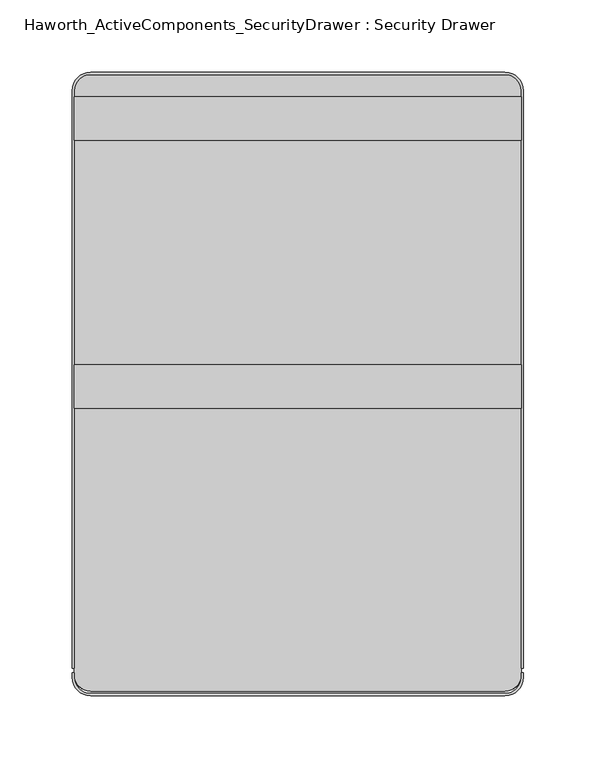
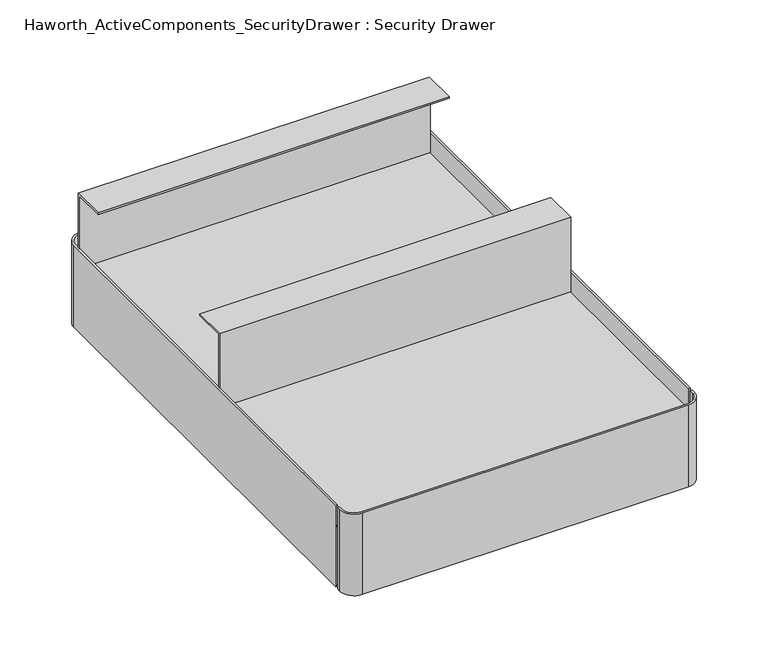
"""IFC4 building model written with IfcOpenShell, lengths in millimetres: furniture geometry, Haworth_ActiveComponents_SecurityDrawer : Security Drawer."""

from ifc_helpers import new_model, si_unit, point, frame, frame_2d, origin, place, context, project, spatial, polyline, circle_curve, trimmed, segment, composite_curve, outline, extrude, source, transform, mapped, element, save


def haworth_activecomponents_securitydrawer_security_drawer_5e3916b3(model_context):
    return source(origin(), model_context, "Body", "SweptSolid", [
        extrude(outline(composite_curve([segment(trimmed(circle_curve(frame_2d((105.56875, -57.15)), 11.1125), [point((105.56875, -46.0375))], [point((116.68125, -57.15))], False, "CARTESIAN"), True, "CONTINUOUS"), segment(polyline([(116.68125, -57.15), (116.68125, -461.9625)]), True, "CONTINUOUS"), segment(trimmed(circle_curve(frame_2d((105.56875, -461.9625)), 11.1125), [point((116.68125, -461.9625))], [point((105.56875, -473.075))], False, "CARTESIAN"), True, "CONTINUOUS"), segment(polyline([(105.56875, -473.075), (-181.76875, -473.075)]), True, "CONTINUOUS"), segment(trimmed(circle_curve(frame_2d((-181.76875, -461.9625)), 11.1125), [point((-181.76875, -473.075))], [point((-192.88125, -461.9625))], False, "CARTESIAN"), True, "CONTINUOUS"), segment(polyline([(-192.88125, -461.9625), (-192.88125, -57.15)]), True, "CONTINUOUS"), segment(trimmed(circle_curve(frame_2d((-181.76875, -57.15)), 11.1125), [point((-192.88125, -57.15))], [point((-181.76875, -46.0375))], False, "CARTESIAN"), True, "CONTINUOUS"), segment(polyline([(-181.76875, -46.0375), (105.56875, -46.0375)]), True, "CONTINUOUS")], self_intersect=False)), frame((0.0, 0.0, 633.4124758), z_axis=(0.0, 0.0, 1.0), x_axis=(1.0, 0.0, 0.0)), (0.0, 0.0, 1.0), 1.5875),
        extrude(outline(composite_curve([segment(trimmed(circle_curve(frame_2d((105.56875, -57.15)), 11.1125), [point((105.56875, -46.0375))], [point((116.68125, -57.15))], False, "CARTESIAN"), True, "CONTINUOUS"), segment(polyline([(116.68125, -57.15), (116.68125, -461.9625)]), True, "CONTINUOUS"), segment(trimmed(circle_curve(frame_2d((105.56875, -461.9625)), 11.1125), [point((116.68125, -461.9625))], [point((105.56875, -473.075))], False, "CARTESIAN"), True, "CONTINUOUS"), segment(polyline([(105.56875, -473.075), (-181.76875, -473.075)]), True, "CONTINUOUS"), segment(trimmed(circle_curve(frame_2d((-181.76875, -461.9625)), 11.1125), [point((-181.76875, -473.075))], [point((-192.88125, -461.9625))], False, "CARTESIAN"), True, "CONTINUOUS"), segment(polyline([(-192.88125, -461.9625), (-192.88125, -57.15)]), True, "CONTINUOUS"), segment(trimmed(circle_curve(frame_2d((-181.76875, -57.15)), 11.1125), [point((-192.88125, -57.15))], [point((-181.76875, -46.0375))], False, "CARTESIAN"), True, "CONTINUOUS"), segment(polyline([(-181.76875, -46.0375), (105.56875, -46.0375)]), True, "CONTINUOUS")], self_intersect=False)), frame((0.0, 0.0, 577.85), z_axis=(0.0, 0.0, 1.0), x_axis=(1.0, 0.0, 0.0)), (0.0, 0.0, 1.0), 1.5875),
        extrude(outline(polyline([(-277.3171814, 634.9999758), (-277.3171814, 704.85), (-247.1546814, 704.85), (-247.1546814, 703.2625), (-275.7296814, 703.2625), (-275.7296814, 634.9999758), (-277.3171814, 634.9999758)])), frame((-192.88125, 0.0, 0.0), z_axis=(1.0, 0.0, 0.0), x_axis=(0.0, 1.0, 0.0)), (0.0, 0.0, 1.0), 309.5625),
        extrude(outline(polyline([(-61.4172056, 634.9999758), (-63.0047056, 634.9999758), (-63.0047056, 703.2625), (-91.5797056, 703.2625), (-91.5797056, 704.85), (-61.4172056, 704.85), (-61.4172056, 634.9999758)])), frame((-192.88125, 0.0, 0.0), z_axis=(1.0, 0.0, 0.0), x_axis=(0.0, 1.0, 0.0)), (0.0, 0.0, 1.0), 309.5625),
        extrude(outline(composite_curve([segment(polyline([(-194.46875, -463.55), (-194.46875, -460.375), (-192.88125, -460.375), (-192.88125, -463.55)]), True, "CONTINUOUS"), segment(trimmed(circle_curve(frame_2d((-181.76875, -463.55)), 11.1125), [point((-192.88125, -463.55))], [point((-181.76875, -474.6625))], True, "CARTESIAN"), True, "CONTINUOUS"), segment(polyline([(-181.76875, -474.6625), (105.56875, -474.6625)]), True, "CONTINUOUS"), segment(trimmed(circle_curve(frame_2d((105.56875, -463.55)), 11.1125), [point((105.56875, -474.6625))], [point((116.68125, -463.55))], True, "CARTESIAN"), True, "CONTINUOUS"), segment(polyline([(116.68125, -463.55), (116.68125, -460.375), (118.26875, -460.375), (118.26875, -463.55)]), True, "CONTINUOUS"), segment(trimmed(circle_curve(frame_2d((105.56875, -463.55)), 12.7), [point((118.26875, -463.55))], [point((105.56875, -476.25))], False, "CARTESIAN"), True, "CONTINUOUS"), segment(polyline([(105.56875, -476.25), (-181.76875, -476.25)]), True, "CONTINUOUS"), segment(trimmed(circle_curve(frame_2d((-181.76875, -463.55)), 12.7), [point((-181.76875, -476.25))], [point((-194.46875, -463.55))], False, "CARTESIAN"), True, "CONTINUOUS")], self_intersect=False)), frame((0.0, 0.0, 577.85), z_axis=(0.0, 0.0, 1.0), x_axis=(1.0, 0.0, 0.0)), (0.0, 0.0, 1.0), 76.2),
        extrude(outline(composite_curve([segment(trimmed(circle_curve(frame_2d((-181.76875, -57.15)), 12.7), [point((-194.46875, -57.15))], [point((-181.76875, -44.45))], False, "CARTESIAN"), True, "CONTINUOUS"), segment(polyline([(-181.76875, -44.45), (105.56875, -44.45)]), True, "CONTINUOUS"), segment(trimmed(circle_curve(frame_2d((105.56875, -57.15)), 12.7), [point((105.56875, -44.45))], [point((118.26875, -57.15))], False, "CARTESIAN"), True, "CONTINUOUS"), segment(polyline([(118.26875, -57.15), (118.26875, -457.2), (116.68125, -457.2), (116.68125, -57.15)]), True, "CONTINUOUS"), segment(trimmed(circle_curve(frame_2d((105.56875, -57.15)), 11.1125), [point((116.68125, -57.15))], [point((105.56875, -46.0375))], True, "CARTESIAN"), True, "CONTINUOUS"), segment(polyline([(105.56875, -46.0375), (-181.76875, -46.0375)]), True, "CONTINUOUS"), segment(trimmed(circle_curve(frame_2d((-181.76875, -57.15)), 11.1125), [point((-181.76875, -46.0375))], [point((-192.88125, -57.15))], True, "CARTESIAN"), True, "CONTINUOUS"), segment(polyline([(-192.88125, -57.15), (-192.88125, -457.2), (-194.46875, -457.2), (-194.46875, -57.15)]), True, "CONTINUOUS")], self_intersect=False)), frame((0.0, 0.0, 577.85), z_axis=(0.0, 0.0, 1.0), x_axis=(1.0, 0.0, 0.0)), (0.0, 0.0, 1.0), 76.2),
    ])


if __name__ == "__main__":
    model = new_model("IFC4")
    model_context = context("Model", 3, world=origin())
    ifc_project = project(units=[si_unit("LENGTHUNIT", "METRE", prefix="MILLI")], contexts=[model_context])
    site = spatial("IfcSite", under=ifc_project)
    building = spatial("IfcBuilding", under=site)
    placement = place(None, origin())
    haworth_activecomponents_securitydrawer_security_drawer_shape = haworth_activecomponents_securitydrawer_security_drawer_5e3916b3(model_context)
    element("IfcFurniture", 1, ObjectType="Haworth_ActiveComponents_SecurityDrawer : Security Drawer", at=placement, inside=building, context=model_context, shape_type="MappedRepresentation", body=[
        mapped(haworth_activecomponents_securitydrawer_security_drawer_shape, transform((0.0, 0.0, 0.0), x_axis=(1.0, 0.0, 0.0), y_axis=(0.0, 1.0, 0.0), z_axis=(0.0, 0.0, 1.0))),
    ])
    save(model, "model.ifc")
